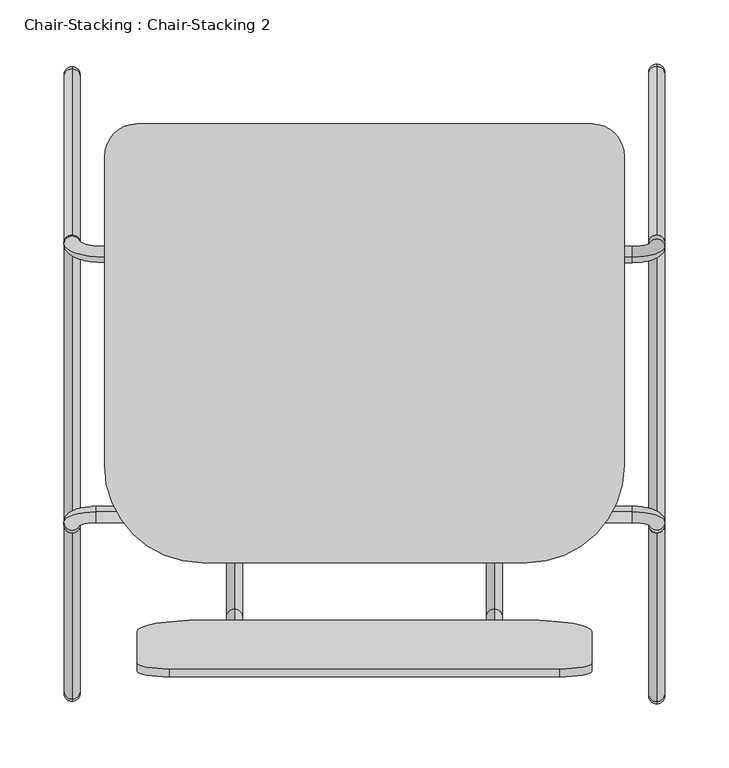
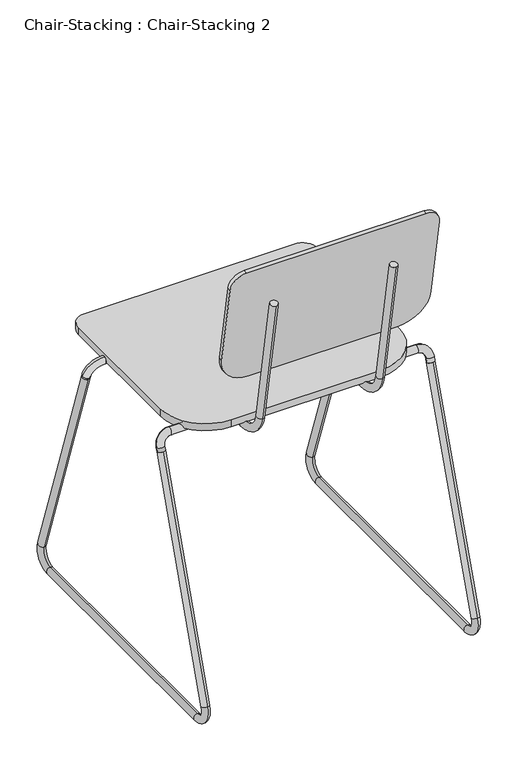
"""IFC4 building model written with IfcOpenShell, lengths in millimetres: furniture geometry, Chair-Stacking : Chair-Stacking 2."""

import ifcopenshell
import ifcopenshell.guid

model = None  # the IFC model being written
_history = None  # IfcOwnerHistory: only IFC2X3 demands one
_inside = {}  # id of a spatial element -> (the spatial element, [elements in it])
_under = {}  # id of a project, library or spatial element -> (it, [spatial elements below it])
_declared = {}  # id of a project -> (the project, [libraries it declares])
_typed = {}  # id of a type object -> (the type object, [elements of that type])
_made_of = {}  # id of a material, layer set ... -> (it, [elements and type objects made of it])


def new_model(schema):
    """Start an empty IFC model of exactly this schema.

    Asked for "IFC4X3", IfcOpenShell would pick the latest addendum, in which some entities
    have other attributes; the version numbers below select the first issue.
    IFC2X3 requires an IfcOwnerHistory on every rooted entity: one is made here for all.
    """
    global model, _history
    if schema == "IFC4X3":
        model = ifcopenshell.file(schema_version=(4, 3, 0, 0))
    else:
        model = ifcopenshell.file(schema=schema)
    _inside.clear()
    _under.clear()
    _declared.clear()
    _typed.clear()
    _made_of.clear()
    _history = None
    if model.schema == "IFC2X3":
        org = make("IfcOrganization", Name="unknown")
        user = make(
            "IfcPersonAndOrganization",
            ThePerson=make("IfcPerson", FamilyName="unknown"),
            TheOrganization=org,
        )
        app = make(
            "IfcApplication",
            ApplicationDeveloper=org,
            Version="unknown",
            ApplicationFullName="unknown",
            ApplicationIdentifier="unknown",
        )
        _history = make(
            "IfcOwnerHistory",
            OwningUser=user,
            OwningApplication=app,
            ChangeAction="ADDED",
            CreationDate=0,
        )
    return model


def make(cls, **values):
    """One entity of the class cls with the attributes given. An attribute that is None is left unset."""
    return model.create_entity(
        cls, **{name: value for name, value in values.items() if value is not None}
    )


def rooted(cls, **values):
    """An entity with a GlobalId (a new one), such as an element, a storey or a relation."""
    return make(cls, GlobalId=ifcopenshell.guid.new(), OwnerHistory=_history, **values)


def si_unit(unit_type, name, prefix=None):
    """IfcSIUnit, for example si_unit("LENGTHUNIT", "METRE", prefix="MILLI")."""
    return make("IfcSIUnit", UnitType=unit_type, Prefix=prefix, Name=name)


def assignment(units):
    """IfcUnitAssignment: the units of a project."""
    return None if units is None else make("IfcUnitAssignment", Units=units)


def point(xyz):
    """IfcCartesianPoint."""
    return None if xyz is None else make("IfcCartesianPoint", Coordinates=xyz)


def direction(xyz):
    """IfcDirection."""
    return None if xyz is None else make("IfcDirection", DirectionRatios=xyz)


def frame(location, z_axis=None, x_axis=None):
    """IfcAxis2Placement3D, a coordinate frame: its origin and axes. An axis left out is left unset."""
    return make(
        "IfcAxis2Placement3D",
        Location=point(location),
        Axis=direction(z_axis),
        RefDirection=direction(x_axis),
    )


def frame_2d(location, x_axis=None):
    """IfcAxis2Placement2D, a coordinate frame in the plane: its origin and x axis."""
    return make(
        "IfcAxis2Placement2D", Location=point(location), RefDirection=direction(x_axis)
    )


def origin():
    """The frame at (0, 0, 0) with its axes left unset."""
    return frame((0.0, 0.0, 0.0))


def place(relative_to, where):
    """IfcLocalPlacement: puts the frame where relative to a parent placement (None: the world)."""
    return make(
        "IfcLocalPlacement", PlacementRelTo=relative_to, RelativePlacement=where
    )


def context(
    kind, dimensions, precision=None, world=None, true_north=None, identifier=None
):
    """IfcGeometricRepresentationContext, for example the 3D "Model" context."""
    return make(
        "IfcGeometricRepresentationContext",
        ContextIdentifier=identifier,
        ContextType=kind,
        CoordinateSpaceDimension=dimensions,
        Precision=precision,
        WorldCoordinateSystem=world,
        TrueNorth=true_north,
    )


def project(units=None, contexts=None):
    """IfcProject with its units and contexts."""
    return rooted(
        "IfcProject",
        Name="project",
        RepresentationContexts=contexts,
        UnitsInContext=assignment(units),
    )


def spatial(cls, under=None, at=None, **own):
    """A site, building, storey or space (cls), placed at a placement, below another one or the project."""
    s = rooted(cls, ObjectPlacement=at, **own)
    if under is not None:
        _under.setdefault(under.id(), (under, []))[1].append(s)
    return s


def polyline(points):
    """IfcPolyline through the points."""
    return make("IfcPolyline", Points=[point(p) for p in points])


def circle_curve(where, radius):
    """IfcCircle in the frame where."""
    return make("IfcCircle", Position=where, Radius=radius)


def ellipse_curve(where, semi_axis1, semi_axis2):
    """IfcEllipse in the frame where."""
    return make(
        "IfcEllipse", Position=where, SemiAxis1=semi_axis1, SemiAxis2=semi_axis2
    )


def trimmed(basis, trim1, trim2, sense, master):
    """IfcTrimmedCurve: the piece of a basis curve between two trims."""
    return make(
        "IfcTrimmedCurve",
        BasisCurve=basis,
        Trim1=trim1,
        Trim2=trim2,
        SenseAgreement=sense,
        MasterRepresentation=master,
    )


def segment(curve, same_sense, transition):
    """IfcCompositeCurveSegment."""
    return make(
        "IfcCompositeCurveSegment",
        Transition=transition,
        SameSense=same_sense,
        ParentCurve=curve,
    )


def composite_curve(segments, self_intersect=None):
    """IfcCompositeCurve: segments joined end to end."""
    return make("IfcCompositeCurve", Segments=segments, SelfIntersect=self_intersect)


def outline(outer, holes=None, kind="AREA"):
    """IfcArbitraryClosedProfileDef: a profile drawn as a closed curve; with holes, ...WithVoids."""
    if holes is None:
        return make("IfcArbitraryClosedProfileDef", ProfileType=kind, OuterCurve=outer)
    return make(
        "IfcArbitraryProfileDefWithVoids",
        ProfileType=kind,
        OuterCurve=outer,
        InnerCurves=holes,
    )


def extrude(swept, where, along, depth):
    """IfcExtrudedAreaSolid: the profile swept, set in the frame where, extruded along a direction by depth."""
    return make(
        "IfcExtrudedAreaSolid",
        SweptArea=swept,
        Position=where,
        ExtrudedDirection=direction(along),
        Depth=depth,
    )


def shape(context_of_items, identifier, shape_type, items):
    """IfcShapeRepresentation: the items that make up one representation, for example the "Body"."""
    return make(
        "IfcShapeRepresentation",
        ContextOfItems=context_of_items,
        RepresentationIdentifier=identifier,
        RepresentationType=shape_type,
        Items=items,
    )


def source(mapping_origin, context_of_items, identifier, shape_type, items):
    """IfcRepresentationMap: a shape defined once, which mapped items show again and again."""
    return make(
        "IfcRepresentationMap",
        MappingOrigin=mapping_origin,
        MappedRepresentation=shape(context_of_items, identifier, shape_type, items),
    )


def transform(
    local_origin,
    x_axis=None,
    y_axis=None,
    z_axis=None,
    scale=None,
    scale2=None,
    scale3=None,
    uniform=True,
):
    """IfcCartesianTransformationOperator3D, or its non-uniform kind. x_axis, y_axis, z_axis: its Axis1, 2, 3."""
    if uniform:
        return make(
            "IfcCartesianTransformationOperator3D",
            Axis1=direction(x_axis),
            Axis2=direction(y_axis),
            LocalOrigin=point(local_origin),
            Scale=scale,
            Axis3=direction(z_axis),
        )
    return make(
        "IfcCartesianTransformationOperator3DnonUniform",
        Axis1=direction(x_axis),
        Axis2=direction(y_axis),
        LocalOrigin=point(local_origin),
        Scale=scale,
        Axis3=direction(z_axis),
        Scale2=scale2,
        Scale3=scale3,
    )


def mapped(mapping_source, mapping_target):
    """IfcMappedItem: shows the shape of a source again, moved by a transform."""
    return make(
        "IfcMappedItem", MappingSource=mapping_source, MappingTarget=mapping_target
    )


def made_of(thing, what):
    """Note that an element or type object is made of a material, layer set ...; save() writes the relation."""
    if what is not None:
        _made_of.setdefault(what.id(), (what, []))[1].append(thing)
    return thing


def element(
    cls,
    number,
    at=None,
    inside=None,
    cuts=None,
    type_object=None,
    material=None,
    context=None,
    identifier="Body",
    shape_type=None,
    held_by="IfcProductDefinitionShape",
    body=None,
    shapes=None,
    **own,
):
    """One element of the class cls, such as IfcWall. Its Tag is "e" and its number.

    at: its placement. inside: the storey or other place that contains it. cuts: it is an
    opening in that element (IfcRelVoidsElement). A single representation is given by context,
    identifier, shape_type and body (its items); several are given by shapes. held_by: the class
    of the entity that holds the representations. save() writes the other relations.
    """
    e = rooted(cls, Tag="e%d" % number, ObjectPlacement=at, **own)
    if body is not None:
        shapes = [shape(context, identifier, shape_type, body)]
    if shapes is not None:
        e.Representation = make(held_by, Representations=shapes)
    if inside is not None:
        _inside.setdefault(inside.id(), (inside, []))[1].append(e)
    if cuts is not None:
        rooted(
            "IfcRelVoidsElement", RelatingBuildingElement=cuts, RelatedOpeningElement=e
        )
    if type_object is not None:
        _typed.setdefault(type_object.id(), (type_object, []))[1].append(e)
    return made_of(e, material)


def aggregate(whole, parts):
    """IfcRelAggregates: a whole, such as a stair, and the parts it consists of."""
    return rooted("IfcRelAggregates", RelatingObject=whole, RelatedObjects=parts)


def save(model, path):
    """Write the relations noted so far, then the file.

    IfcRelAggregates (storeys below a building ...), IfcRelContainedInSpatialStructure (elements
    in a storey), IfcRelDefinesByType, IfcRelAssociatesMaterial and IfcRelDeclares: one each for
    every whole, place, type object, material and project.
    """
    for whole, parts in _under.values():
        aggregate(whole, parts)
    for where, things in _inside.values():
        rooted(
            "IfcRelContainedInSpatialStructure",
            RelatedElements=things,
            RelatingStructure=where,
        )
    for kind, things in _typed.values():
        rooted("IfcRelDefinesByType", RelatedObjects=things, RelatingType=kind)
    for what, things in _made_of.values():
        rooted("IfcRelAssociatesMaterial", RelatedObjects=things, RelatingMaterial=what)
    for by, libraries in _declared.values():
        rooted("IfcRelDeclares", RelatingContext=by, RelatedDefinitions=libraries)
    model.write(path)


def plane_surface(at):
    """IfcPlane: the flat surface through the origin of the frame at, square to its z axis."""
    return make("IfcPlane", Position=at)


def cylinder_surface(at, radius):
    """IfcCylindricalSurface: all points at the distance radius from the z axis of the frame at."""
    return make("IfcCylindricalSurface", Position=at, Radius=radius)


def revolved_surface(curve, axis_point, axis_direction):
    """IfcSurfaceOfRevolution: the curve turned about the line through axis_point along axis_direction."""
    return make(
        "IfcSurfaceOfRevolution",
        SweptCurve=make("IfcArbitraryOpenProfileDef", ProfileType="CURVE", Curve=curve),
        AxisPosition=make("IfcAxis1Placement", Location=point(axis_point), Axis=direction(axis_direction)),
    )


def advanced_brep(points, edges, surfaces, faces):
    """IfcAdvancedBrep: a solid bounded by faces that lie on surfaces and meet in shared edges.

    An edge is (start, end): straight between two places in points (the first is 0);
    or (start, end, curve); or (start, end, curve, False) where it runs against its curve.
    A face is (place in surfaces, loops), or (place, loops, False) where it looks against
    its surface's normal. A loop lists edges by number (the first is 1), with a minus sign
    where the edge is run from its end to its start. The first loop is the outer one.
    """
    corners = [point(p) for p in points]
    vertices = [make("IfcVertexPoint", VertexGeometry=c) for c in corners]
    made = []
    for start, end, *more in edges:
        made.append(
            make(
                "IfcEdgeCurve",
                EdgeStart=vertices[start],
                EdgeEnd=vertices[end],
                EdgeGeometry=more[0] if more else make("IfcPolyline", Points=[corners[start], corners[end]]),
                SameSense=more[1] if len(more) > 1 else True,
            )
        )
    hull = []
    for where, loops, *sense in faces:
        bounds = []
        for j, loop in enumerate(loops):
            ring = [make("IfcOrientedEdge", EdgeElement=made[abs(k) - 1], Orientation=k > 0) for k in loop]
            bounds.append(
                make(
                    "IfcFaceOuterBound" if j == 0 else "IfcFaceBound",
                    Bound=make("IfcEdgeLoop", EdgeList=ring),
                    Orientation=True,
                )
            )
        hull.append(make("IfcAdvancedFace", Bounds=bounds, FaceSurface=surfaces[where], SameSense=sense[0] if sense else True))
    return make("IfcAdvancedBrep", Outer=make("IfcClosedShell", CfsFaces=hull))


def chair_stacking_chair_stacking_2_4df0970f(model_context):
    return source(origin(), model_context, "Body", "SolidModel", [
        advanced_brep(
        [(-280.6491803, 213.2656675, 431.8), (-280.6491803, 213.2656675, 444.5), (-280.6491803, -23.0277124, 431.8), (-280.6491803, -23.0277124, 444.5), (-280.6491803, -66.802417, 481.2313385), (-280.6491803, -79.3094755, 479.0260066), (-280.6491803, -119.2282049, 705.4163709), (-280.6491803, -106.7211464, 707.6217027)],
        [
            (0, 1, circle_curve(frame((-280.6491803, 213.2656675, 438.15), z_axis=(0.0, 1.0, 0.0), x_axis=(0.0, 0.0, 1.0)), 6.35)),
            (1, 0, circle_curve(frame((-280.6491803, 213.2656675, 438.15), z_axis=(0.0, 1.0, 0.0), x_axis=(0.0, 0.0, 1.0)), 6.35)),
            (0, 2),
            (2, 3, circle_curve(frame((-280.6491803, -23.0277124, 438.15), z_axis=(0.0, 1.0, 0.0), x_axis=(0.0, 0.0, 1.0)), 6.35)),
            (3, 1),
            (3, 2, circle_curve(frame((-280.6491803, -23.0277124, 438.15), z_axis=(0.0, 1.0, 0.0), x_axis=(0.0, 0.0, 1.0)), 6.35)),
            (4, 3, circle_curve(frame((-280.6491803, -23.0277124, 488.95), z_axis=(1.0, 0.0, 0.0), x_axis=(0.0, 0.0, -1.0)), 44.45)),
            (2, 5, circle_curve(frame((-280.6491803, -23.0277124, 488.95), z_axis=(-1.0, 0.0, 0.0), x_axis=(0.0, 0.0, -1.0)), 57.15)),
            (5, 4, circle_curve(frame((-280.6491803, -73.0559463, 480.1286726), z_axis=(0.0, 0.17364817766693444, -0.9848077530122074), x_axis=(0.0, 0.9848077530122074, 0.17364817766693444)), 6.35)),
            (4, 5, circle_curve(frame((-280.6491803, -73.0559463, 480.1286726), z_axis=(0.0, 0.17364817766693444, -0.9848077530122074), x_axis=(0.0, 0.9848077530122074, 0.17364817766693444)), 6.35)),
            (6, 7, circle_curve(frame((-280.6491803, -112.9746757, 706.5190368), z_axis=(0.0, -0.1736481776669348, 0.9848077530122074), x_axis=(0.0, 0.9848077530122074, 0.1736481776669348)), 6.35)),
            (7, 6, circle_curve(frame((-280.6491803, -112.9746757, 706.5190368), z_axis=(0.0, -0.1736481776669348, 0.9848077530122074), x_axis=(0.0, 0.9848077530122074, 0.1736481776669348)), 6.35)),
            (5, 6),
            (7, 4),
        ],
        [
            plane_surface(frame((-286.9991803, 213.2656675, 438.15), z_axis=(0.0, 1.0, 0.0), x_axis=(0.0, 0.0, -1.0))),
            cylinder_surface(frame((-280.6491803, 213.2656675, 438.15), z_axis=(0.0, 1.0, 0.0), x_axis=(0.0, 0.0, 1.0)), 6.35),
            revolved_surface(trimmed(ellipse_curve(frame((-280.6491803, -23.0277124, 438.15), z_axis=(0.0, 1.0, 0.0), x_axis=(0.0, 0.0, 1.0)), 6.35, 6.35), [point((-280.6491803, -23.0277124, 431.8))], [point((-280.6491803, -23.0277124, 444.5))], True, "CARTESIAN"), (-280.6491803, -23.0277124, 488.95), (-1.0, 0.0, 0.0)),
            revolved_surface(trimmed(ellipse_curve(frame((-280.6491803, -23.0277124, 438.15), z_axis=(0.0, 1.0, 0.0), x_axis=(0.0, 0.0, 1.0)), 6.35, 6.35), [point((-280.6491803, -23.0277124, 444.5))], [point((-280.6491803, -23.0277124, 431.8))], True, "CARTESIAN"), (-280.6491803, -23.0277124, 488.95), (-1.0, 0.0, 0.0)),
            plane_surface(frame((-280.6491803, -119.2282049, 705.4163709), z_axis=(0.0, -0.17364817766692842, 0.9848077530122085), x_axis=(1.0, 0.0, 0.0))),
            cylinder_surface(frame((-280.6491803, -73.0559463, 480.1286726), z_axis=(0.0, 0.1736481776669348, -0.9848077530122074), x_axis=(0.0, 0.9848077530122074, 0.1736481776669348)), 6.35),
        ],
        [
            (0, [[1, 2]]),
            (1, [[-1, 3, 4, 5]]),
            (1, [[-2, -5, 6, -3]]),
            (2, [[7, -4, 8, 9]]),
            (3, [[-8, -6, -7, 10]]),
            (4, [[11, 12]]),
            (5, [[-9, 13, -12, 14]]),
            (5, [[-10, -14, -11, -13]]),
        ],
    ),
        advanced_brep(
        [(-77.4491803, 213.2656675, 431.8), (-77.4491803, 213.2656675, 444.5), (-77.4491803, -23.0277124, 431.8), (-77.4491803, -23.0277124, 444.5), (-77.4491803, -66.802417, 481.2313385), (-77.4491803, -79.3094755, 479.0260066), (-77.4491803, -118.9339087, 703.7473341), (-77.4491803, -106.4268502, 705.9526659)],
        [
            (0, 1, circle_curve(frame((-77.4491803, 213.2656675, 438.15), z_axis=(0.0, 1.0, 0.0), x_axis=(0.0, 0.0, 1.0)), 6.35)),
            (1, 0, circle_curve(frame((-77.4491803, 213.2656675, 438.15), z_axis=(0.0, 1.0, 0.0), x_axis=(0.0, 0.0, 1.0)), 6.35)),
            (0, 2),
            (2, 3, circle_curve(frame((-77.4491803, -23.0277124, 438.15), z_axis=(0.0, 1.0, 0.0), x_axis=(0.0, 0.0, 1.0)), 6.35)),
            (3, 1),
            (3, 2, circle_curve(frame((-77.4491803, -23.0277124, 438.15), z_axis=(0.0, 1.0, 0.0), x_axis=(0.0, 0.0, 1.0)), 6.35)),
            (4, 3, circle_curve(frame((-77.4491803, -23.0277124, 488.95), z_axis=(1.0, 0.0, 0.0), x_axis=(0.0, 0.0, -1.0)), 44.45)),
            (2, 5, circle_curve(frame((-77.4491803, -23.0277124, 488.95), z_axis=(-1.0, 0.0, 0.0), x_axis=(0.0, 0.0, -1.0)), 57.15)),
            (5, 4, circle_curve(frame((-77.4491803, -73.0559463, 480.1286726), z_axis=(0.0, 0.1736481776669385, -0.9848077530122066), x_axis=(0.0, 0.9848077530122066, 0.1736481776669385)), 6.35)),
            (4, 5, circle_curve(frame((-77.4491803, -73.0559463, 480.1286726), z_axis=(0.0, 0.1736481776669372, -0.9848077530122068), x_axis=(0.0, 0.9848077530122068, 0.1736481776669372)), 6.35)),
            (6, 7, circle_curve(frame((-77.4491803, -112.6803794, 704.85), z_axis=(0.0, -0.17364817766693896, 0.9848077530122066), x_axis=(0.0, 0.9848077530122066, 0.17364817766693896)), 6.35)),
            (7, 6, circle_curve(frame((-77.4491803, -112.6803794, 704.85), z_axis=(0.0, -0.17364817766693896, 0.9848077530122066), x_axis=(0.0, 0.9848077530122066, 0.17364817766693896)), 6.35)),
            (5, 6),
            (7, 4),
        ],
        [
            plane_surface(frame((-83.7991803, 213.2656675, 438.15), z_axis=(0.0, 1.0, 0.0), x_axis=(0.0, 0.0, -1.0))),
            cylinder_surface(frame((-77.4491803, 213.2656675, 438.15), z_axis=(0.0, 1.0, 0.0), x_axis=(0.0, 0.0, 1.0)), 6.35),
            revolved_surface(trimmed(ellipse_curve(frame((-77.4491803, -23.0277124, 438.15), z_axis=(0.0, 1.0, 0.0), x_axis=(0.0, 0.0, 1.0)), 6.35, 6.35), [point((-77.4491803, -23.0277124, 431.8))], [point((-77.4491803, -23.0277124, 444.5))], True, "CARTESIAN"), (-77.4491803, -23.0277124, 488.95), (-1.0, 0.0, 0.0)),
            revolved_surface(trimmed(ellipse_curve(frame((-77.4491803, -23.0277124, 438.15), z_axis=(0.0, 1.0, 0.0), x_axis=(0.0, 0.0, 1.0)), 6.35, 6.35), [point((-77.4491803, -23.0277124, 444.5))], [point((-77.4491803, -23.0277124, 431.8))], True, "CARTESIAN"), (-77.4491803, -23.0277124, 488.95), (-1.0, 0.0, 0.0)),
            plane_surface(frame((-77.4491803, -118.9339087, 703.7473341), z_axis=(0.0, -0.17364817766692892, 0.9848077530122084), x_axis=(1.0, 0.0, 0.0))),
            cylinder_surface(frame((-77.4491803, -73.0559463, 480.1286726), z_axis=(0.0, 0.17364817766693896, -0.9848077530122066), x_axis=(0.0, 0.9848077530122066, 0.17364817766693896)), 6.35),
        ],
        [
            (0, [[1, 2]]),
            (1, [[-1, 3, 4, 5]]),
            (1, [[-2, -5, 6, -3]]),
            (2, [[7, -4, 8, 9]]),
            (3, [[-8, -6, -7, 10]]),
            (4, [[11, 12]]),
            (5, [[-9, 13, -12, 14]]),
            (5, [[-10, -14, -11, -13]]),
        ],
    ),
        extrude(outline(composite_curve([segment(trimmed(circle_curve(frame_2d((-1.2491803, 286.7314636)), 25.4), [point((-1.2491803, 312.1314636))], [point((24.1508197, 286.7314636))], False, "CARTESIAN"), True, "CONTINUOUS"), segment(polyline([(24.1508197, 286.7314636), (24.1508197, 45.4314636)]), True, "CONTINUOUS"), segment(trimmed(circle_curve(frame_2d((-52.0491803, 45.4314636)), 76.2), [point((24.1508197, 45.4314636))], [point((-52.0491803, -30.7685364))], False, "CARTESIAN"), True, "CONTINUOUS"), segment(polyline([(-52.0491803, -30.7685364), (-306.0491803, -30.7685364)]), True, "CONTINUOUS"), segment(trimmed(circle_curve(frame_2d((-306.0491803, 45.4314636)), 76.2), [point((-306.0491803, -30.7685364))], [point((-382.2491803, 45.4314636))], False, "CARTESIAN"), True, "CONTINUOUS"), segment(polyline([(-382.2491803, 45.4314636), (-382.2491803, 286.7314636)]), True, "CONTINUOUS"), segment(trimmed(circle_curve(frame_2d((-356.8491803, 286.7314636)), 25.4), [point((-382.2491803, 286.7314636))], [point((-356.8491803, 312.1314636))], False, "CARTESIAN"), True, "CONTINUOUS"), segment(polyline([(-356.8491803, 312.1314636), (-1.2491803, 312.1314636)]), True, "CONTINUOUS")], self_intersect=False)), frame((0.0, 0.0, 444.5), z_axis=(0.0, 0.0, 1.0), x_axis=(1.0, 0.0, 0.0)), (0.0, 0.0, 1.0), 12.7),
        extrude(outline(composite_curve([segment(polyline([(-304.8, 0.0), (0.0, 0.0)]), True, "CONTINUOUS"), segment(trimmed(circle_curve(frame_2d((0.0, -25.4)), 25.4), [point((0.0, 0.0))], [point((25.4, -25.4))], False, "CARTESIAN"), True, "CONTINUOUS"), segment(polyline([(25.4, -25.4), (25.4, -168.3013626)]), True, "CONTINUOUS"), segment(trimmed(circle_curve(frame_2d((-25.4, -168.3013626)), 50.8), [point((25.4, -168.3013626))], [point((-25.4, -219.1013626))], False, "CARTESIAN"), True, "CONTINUOUS"), segment(polyline([(-25.4, -219.1013626), (-279.4, -219.1013626)]), True, "CONTINUOUS"), segment(trimmed(circle_curve(frame_2d((-279.4, -168.3013626)), 50.8), [point((-279.4, -219.1013626))], [point((-330.2, -168.3013626))], False, "CARTESIAN"), True, "CONTINUOUS"), segment(polyline([(-330.2, -168.3013626), (-330.2, -25.4)]), True, "CONTINUOUS"), segment(trimmed(circle_curve(frame_2d((-304.8, -25.4)), 25.4), [point((-330.2, -25.4))], [point((-304.8, 0.0))], False, "CARTESIAN"), True, "CONTINUOUS")], self_intersect=False)), frame((-331.4491803, -119.9531376, 782.6640535), z_axis=(0.0, 0.9848077530122084, 0.17364817766692858), x_axis=(-1.0, 0.0, 0.0)), (0.0, 0.0, 1.0), 6.35),
        advanced_brep(
        [(55.9008197, 219.2327758, 419.1211728), (43.2008197, 219.2327758, 419.1211728), (55.9008197, 216.3017292, 427.6700586), (43.2008197, 216.3017292, 427.6700586), (30.5008197, 212.1828103, 439.6835721), (30.5008197, 208.0638914, 451.6970857), (-382.2491803, 208.0638914, 451.6970857), (-382.2491803, 212.1828103, 439.6835721), (-401.2991803, 218.3611887, 421.6633019), (-413.9991803, 218.3611887, 421.6633019), (-413.9991803, 219.2424531, 419.0929473), (-401.2991803, 219.2424531, 419.0929473)],
        [
            (0, 1, circle_curve(frame((49.5508197, 219.2327758, 419.1211728), z_axis=(0.0, 0.32432432432432967, -0.9459459459459442), x_axis=(-1.0, 0.0, 0.0)), 6.35)),
            (1, 0, circle_curve(frame((49.5508197, 219.2327758, 419.1211728), z_axis=(0.0, 0.32432432432432967, -0.9459459459459442), x_axis=(-1.0, 0.0, 0.0)), 6.35)),
            (0, 2),
            (2, 3, circle_curve(frame((49.5508197, 216.3017292, 427.6700586), z_axis=(0.0, 0.32432432432432967, -0.9459459459459442), x_axis=(-1.0, 0.0, 0.0)), 6.35)),
            (3, 1),
            (3, 2, circle_curve(frame((49.5508197, 216.3017292, 427.6700586), z_axis=(0.0, 0.32432432432432967, -0.9459459459459442), x_axis=(-1.0, 0.0, 0.0)), 6.35)),
            (4, 3, circle_curve(frame((30.5008197, 216.3017292, 427.6700586), z_axis=(0.0, 0.9459459459459447, 0.3243243243243281), x_axis=(1.0, 0.0, 0.0)), 12.7)),
            (2, 5, circle_curve(frame((30.5008197, 216.3017292, 427.6700586), z_axis=(0.0, -0.9459459459459447, -0.3243243243243281), x_axis=(1.0, 0.0, 0.0)), 25.4)),
            (5, 4, circle_curve(frame((30.5008197, 210.1233509, 445.6903289), z_axis=(1.0, 0.0, 0.0), x_axis=(0.0, 0.32432432432432745, -0.9459459459459449)), 6.35)),
            (4, 5, circle_curve(frame((30.5008197, 210.1233509, 445.6903289), z_axis=(1.0, 0.0, 0.0), x_axis=(0.0, 0.32432432432432745, -0.9459459459459449)), 6.35)),
            (5, 6),
            (6, 7, circle_curve(frame((-382.2491803, 210.1233509, 445.6903289), z_axis=(1.0, 0.0, 0.0), x_axis=(0.0, 0.32432432432432745, -0.9459459459459449)), 6.35)),
            (7, 4),
            (7, 6, circle_curve(frame((-382.2491803, 210.1233509, 445.6903289), z_axis=(1.0, 0.0, 0.0), x_axis=(0.0, 0.32432432432432745, -0.9459459459459449)), 6.35)),
            (8, 7, circle_curve(frame((-382.2491803, 218.3611887, 421.6633019), z_axis=(0.0, 0.9459459459459447, 0.3243243243243281), x_axis=(0.0, -0.3243243243243281, 0.9459459459459447)), 19.05)),
            (6, 9, circle_curve(frame((-382.2491803, 218.3611887, 421.6633019), z_axis=(0.0, -0.9459459459459447, -0.3243243243243281), x_axis=(0.0, -0.3243243243243281, 0.9459459459459447)), 31.75)),
            (9, 8, circle_curve(frame((-407.6491803, 218.3611887, 421.6633019), z_axis=(0.0, -0.324324324324328, 0.9459459459459447), x_axis=(1.0000000000000002, 0.0, 0.0)), 6.35)),
            (8, 9, circle_curve(frame((-407.6491803, 218.3611887, 421.6633019), z_axis=(0.0, -0.324324324324328, 0.9459459459459447), x_axis=(1.0000000000000002, 0.0, 0.0)), 6.35)),
            (10, 11, circle_curve(frame((-407.6491803, 219.2424531, 419.0929473), z_axis=(0.0, 0.32432432432432784, -0.9459459459459449), x_axis=(1.0, 0.0, 0.0)), 6.35)),
            (11, 10, circle_curve(frame((-407.6491803, 219.2424531, 419.0929473), z_axis=(0.0, 0.32432432432432784, -0.9459459459459449), x_axis=(1.0, 0.0, 0.0)), 6.35)),
            (9, 10),
            (11, 8),
        ],
        [
            plane_surface(frame((49.5508197, 213.226019, 417.0617133), z_axis=(0.0, 0.32432432432433117, -0.9459459459459437), x_axis=(1.0, 0.0, 0.0))),
            cylinder_surface(frame((49.5508197, 219.2327758, 419.1211728), z_axis=(0.0, 0.32432432432432967, -0.9459459459459442), x_axis=(-1.0, 0.0, 0.0)), 6.35),
            revolved_surface(trimmed(ellipse_curve(frame((49.5508197, 216.3017292, 427.6700586), z_axis=(0.0, 0.32432432432432823, -0.9459459459459447), x_axis=(-1.0, 0.0, 0.0)), 6.35, 6.35), [point((55.9008197, 216.3017292, 427.6700586))], [point((43.2008197, 216.3017292, 427.6700586))], True, "CARTESIAN"), (30.5008197, 216.3017292, 427.6700586), (0.0, -0.9459459459459447, -0.3243243243243281)),
            revolved_surface(trimmed(ellipse_curve(frame((49.5508197, 216.3017292, 427.6700586), z_axis=(0.0, 0.32432432432432823, -0.9459459459459447), x_axis=(-1.0, 0.0, 0.0)), 6.35, 6.35), [point((43.2008197, 216.3017292, 427.6700586))], [point((55.9008197, 216.3017292, 427.6700586))], True, "CARTESIAN"), (30.5008197, 216.3017292, 427.6700586), (0.0, -0.9459459459459447, -0.3243243243243281)),
            cylinder_surface(frame((30.5008197, 210.1233509, 445.6903289), z_axis=(1.0, 0.0, 0.0), x_axis=(0.0, 0.32432432432432745, -0.9459459459459449)), 6.35),
            revolved_surface(trimmed(ellipse_curve(frame((-382.2491803, 210.1233509, 445.6903289), z_axis=(1.0000000000000002, 0.0, 0.0), x_axis=(0.0, 0.3243243243243276, -0.9459459459459449)), 6.35, 6.35), [point((-382.2491803, 208.0638914, 451.6970857))], [point((-382.2491803, 212.1828103, 439.6835721))], True, "CARTESIAN"), (-382.2491803, 218.3611887, 421.6633019), (0.0, -0.9459459459459447, -0.3243243243243281)),
            revolved_surface(trimmed(ellipse_curve(frame((-382.2491803, 210.1233509, 445.6903289), z_axis=(1.0000000000000002, 0.0, 0.0), x_axis=(0.0, 0.3243243243243276, -0.9459459459459449)), 6.35, 6.35), [point((-382.2491803, 212.1828103, 439.6835721))], [point((-382.2491803, 208.0638914, 451.6970857))], True, "CARTESIAN"), (-382.2491803, 218.3611887, 421.6633019), (0.0, -0.9459459459459447, -0.3243243243243281)),
            plane_surface(frame((-407.6491803, 225.2492099, 421.1524068), z_axis=(0.0, 0.3243243243243264, -0.9459459459459453), x_axis=(1.0, 0.0, 0.0))),
            cylinder_surface(frame((-407.6491803, 218.3611887, 421.6633019), z_axis=(0.0, -0.3243243243243278, 0.9459459459459447), x_axis=(1.0, 0.0, 0.0)), 6.35),
        ],
        [
            (0, [[1, 2]]),
            (1, [[-1, 3, 4, 5]]),
            (1, [[-2, -5, 6, -3]]),
            (2, [[7, -4, 8, 9]]),
            (3, [[-8, -6, -7, 10]]),
            (4, [[-9, 11, 12, 13]]),
            (4, [[-10, -13, 14, -11]]),
            (5, [[15, -12, 16, 17]]),
            (6, [[-16, -14, -15, 18]]),
            (7, [[19, 20]]),
            (8, [[-17, 21, -20, 22]]),
            (8, [[-18, -22, -19, -21]]),
        ],
    ),
        advanced_brep(
        [(55.9008197, -1.3812406, 419.0879461), (43.2008197, -1.3812406, 419.0879461), (55.9008197, 0.7944914, 425.4338312), (43.2008197, 0.7944914, 425.4338312), (30.5008197, 4.9134104, 437.4473447), (30.5008197, 9.0323293, 449.4608582), (-388.5991803, 9.0323293, 449.4608582), (-388.5991803, 4.9134104, 437.4473447), (-401.2991803, 0.7944914, 425.4338312), (-413.9991803, 0.7944914, 425.4338312), (-413.9991803, -1.3997864, 419.0338542), (-401.2991803, -1.3997864, 419.0338542)],
        [
            (0, 1, circle_curve(frame((49.5508197, -1.3812406, 419.0879461), z_axis=(0.0, -0.32432432432432495, -0.9459459459459457), x_axis=(-1.0, 0.0, 0.0)), 6.35)),
            (1, 0, circle_curve(frame((49.5508197, -1.3812406, 419.0879461), z_axis=(0.0, -0.32432432432432495, -0.9459459459459457), x_axis=(-1.0, 0.0, 0.0)), 6.35)),
            (0, 2),
            (2, 3, circle_curve(frame((49.5508197, 0.7944914, 425.4338312), z_axis=(0.0, -0.32432432432432495, -0.9459459459459457), x_axis=(-1.0, 0.0, 0.0)), 6.35)),
            (3, 1),
            (3, 2, circle_curve(frame((49.5508197, 0.7944914, 425.4338312), z_axis=(0.0, -0.32432432432432495, -0.9459459459459457), x_axis=(-1.0, 0.0, 0.0)), 6.35)),
            (4, 3, circle_curve(frame((30.5008197, 0.7944914, 425.4338312), z_axis=(0.0, 0.9459459459459458, -0.3243243243243246), x_axis=(1.0, 0.0, 0.0)), 12.7)),
            (2, 5, circle_curve(frame((30.5008197, 0.7944914, 425.4338312), z_axis=(0.0, -0.9459459459459458, 0.3243243243243246), x_axis=(1.0, 0.0, 0.0)), 25.4)),
            (5, 4, circle_curve(frame((30.5008197, 6.9728698, 443.4541014), z_axis=(1.0, 0.0, 0.0), x_axis=(0.0, -0.3243243243243236, -0.9459459459459462)), 6.35)),
            (4, 5, circle_curve(frame((30.5008197, 6.9728698, 443.4541014), z_axis=(1.0, 0.0, 0.0), x_axis=(0.0, -0.3243243243243236, -0.9459459459459462)), 6.35)),
            (5, 6),
            (6, 7, circle_curve(frame((-388.5991803, 6.9728698, 443.4541014), z_axis=(1.0, 0.0, 0.0), x_axis=(0.0, -0.3243243243243236, -0.9459459459459462)), 6.35)),
            (7, 4),
            (7, 6, circle_curve(frame((-388.5991803, 6.9728698, 443.4541014), z_axis=(1.0, 0.0, 0.0), x_axis=(0.0, -0.3243243243243236, -0.9459459459459462)), 6.35)),
            (8, 7, circle_curve(frame((-388.5991803, 0.7944914, 425.4338312), z_axis=(0.0, 0.9459459459459458, -0.3243243243243246), x_axis=(0.0, 0.3243243243243246, 0.9459459459459458)), 12.7)),
            (6, 9, circle_curve(frame((-388.5991803, 0.7944914, 425.4338312), z_axis=(0.0, -0.9459459459459458, 0.3243243243243246), x_axis=(0.0, 0.3243243243243246, 0.9459459459459458)), 25.4)),
            (9, 8, circle_curve(frame((-407.6491803, 0.7944914, 425.4338312), z_axis=(0.0, 0.3243243243243247, 0.9459459459459458), x_axis=(1.0, 0.0, 0.0)), 6.35)),
            (8, 9, circle_curve(frame((-407.6491803, 0.7944914, 425.4338312), z_axis=(0.0, 0.3243243243243247, 0.9459459459459458), x_axis=(1.0, 0.0, 0.0)), 6.35)),
            (10, 11, circle_curve(frame((-407.6491803, -1.3997864, 419.0338542), z_axis=(0.0, -0.3243243243243242, -0.945945945945946), x_axis=(1.0, 0.0, 0.0)), 6.35)),
            (11, 10, circle_curve(frame((-407.6491803, -1.3997864, 419.0338542), z_axis=(0.0, -0.3243243243243242, -0.945945945945946), x_axis=(1.0, 0.0, 0.0)), 6.35)),
            (9, 10),
            (11, 8),
        ],
        [
            plane_surface(frame((49.5508197, -7.3879973, 421.1474055), z_axis=(0.0, -0.32432432432432273, -0.9459459459459466), x_axis=(1.0, 0.0, 0.0))),
            cylinder_surface(frame((49.5508197, -1.3812406, 419.0879461), z_axis=(0.0, -0.32432432432432495, -0.9459459459459457), x_axis=(-1.0, 0.0, 0.0)), 6.35),
            revolved_surface(trimmed(ellipse_curve(frame((49.5508197, 0.7944914, 425.4338312), z_axis=(0.0, -0.32432432432432456, -0.9459459459459458), x_axis=(-1.0, 0.0, 0.0)), 6.35, 6.35), [point((55.9008197, 0.7944914, 425.4338312))], [point((43.2008197, 0.7944914, 425.4338312))], True, "CARTESIAN"), (30.5008197, 0.7944914, 425.4338312), (0.0, -0.9459459459459458, 0.3243243243243246)),
            revolved_surface(trimmed(ellipse_curve(frame((49.5508197, 0.7944914, 425.4338312), z_axis=(0.0, -0.32432432432432456, -0.9459459459459458), x_axis=(-1.0, 0.0, 0.0)), 6.35, 6.35), [point((43.2008197, 0.7944914, 425.4338312))], [point((55.9008197, 0.7944914, 425.4338312))], True, "CARTESIAN"), (30.5008197, 0.7944914, 425.4338312), (0.0, -0.9459459459459458, 0.3243243243243246)),
            cylinder_surface(frame((30.5008197, 6.9728698, 443.4541014), z_axis=(1.0, 0.0, 0.0), x_axis=(0.0, -0.3243243243243236, -0.9459459459459462)), 6.35),
            revolved_surface(trimmed(ellipse_curve(frame((-388.5991803, 6.9728698, 443.4541014), z_axis=(1.0, 0.0, 0.0), x_axis=(0.0, -0.3243243243243236, -0.9459459459459462)), 6.35, 6.35), [point((-388.5991803, 9.0323293, 449.4608582))], [point((-388.5991803, 4.9134104, 437.4473447))], True, "CARTESIAN"), (-388.5991803, 0.7944914, 425.4338312), (0.0, -0.9459459459459458, 0.3243243243243246)),
            revolved_surface(trimmed(ellipse_curve(frame((-388.5991803, 6.9728698, 443.4541014), z_axis=(1.0, 0.0, 0.0), x_axis=(0.0, -0.3243243243243236, -0.9459459459459462)), 6.35, 6.35), [point((-388.5991803, 4.9134104, 437.4473447))], [point((-388.5991803, 9.0323293, 449.4608582))], True, "CARTESIAN"), (-388.5991803, 0.7944914, 425.4338312), (0.0, -0.9459459459459458, 0.3243243243243246)),
            plane_surface(frame((-407.6491803, 4.6069704, 416.9743947), z_axis=(0.0, -0.3243243243243226, -0.9459459459459466), x_axis=(1.0, 0.0, 0.0))),
            cylinder_surface(frame((-407.6491803, 0.7944914, 425.4338312), z_axis=(0.0, 0.3243243243243242, 0.945945945945946), x_axis=(1.0, 0.0, 0.0)), 6.35),
        ],
        [
            (0, [[1, 2]]),
            (1, [[-1, 3, 4, 5]]),
            (1, [[-2, -5, 6, -3]]),
            (2, [[7, -4, 8, 9]]),
            (3, [[-8, -6, -7, 10]]),
            (4, [[-9, 11, 12, 13]]),
            (4, [[-10, -13, 14, -11]]),
            (5, [[15, -12, 16, 17]]),
            (6, [[-16, -14, -15, 18]]),
            (7, [[19, 20]]),
            (8, [[-17, 21, -20, 22]]),
            (8, [[-18, -22, -19, -21]]),
        ],
    ),
        advanced_brep(
        [(-407.6491803, 225.2492099, 421.1524068), (-407.6491803, 213.2356963, 417.0334879), (-407.6491803, 355.2281045, 42.0472973), (-407.6491803, 343.214591, 37.9283784), (-407.6491803, 325.1943208, 12.7), (-407.6491803, 325.1943208, 0.0), (-407.6491803, -107.3313935, 0.0), (-407.6491803, -107.3313935, 12.7), (-407.6491803, -125.3516638, 37.9283784), (-407.6491803, -137.3651773, 42.0472973), (-407.6491803, -7.4065431, 421.0933136), (-407.6491803, 4.6069704, 416.9743947)],
        [
            (0, 1, circle_curve(frame((-407.6491803, 219.2424531, 419.0929473), z_axis=(0.0, -0.3243243243243311, 0.9459459459459437), x_axis=(0.0, -0.9459459459459437, -0.3243243243243311)), 6.35)),
            (1, 0, circle_curve(frame((-407.6491803, 219.2424531, 419.0929473), z_axis=(0.0, -0.3243243243243311, 0.9459459459459437), x_axis=(0.0, -0.9459459459459437, -0.3243243243243311)), 6.35)),
            (0, 2),
            (2, 3, circle_curve(frame((-407.6491803, 349.2213478, 39.9878378), z_axis=(0.0, -0.3243243243243311, 0.9459459459459437), x_axis=(0.0, -0.9459459459459437, -0.3243243243243311)), 6.35)),
            (3, 1),
            (3, 2, circle_curve(frame((-407.6491803, 349.2213478, 39.9878378), z_axis=(0.0, -0.3243243243243311, 0.9459459459459437), x_axis=(0.0, -0.9459459459459437, -0.3243243243243311)), 6.35)),
            (4, 3, circle_curve(frame((-407.6491803, 325.1943208, 31.75), z_axis=(1.0, 0.0, 0.0), x_axis=(0.0, 0.9459459459459434, 0.3243243243243317)), 19.05)),
            (2, 5, circle_curve(frame((-407.6491803, 325.1943208, 31.75), z_axis=(-1.0, 0.0, 0.0), x_axis=(0.0, 0.9459459459459434, 0.3243243243243317)), 31.75)),
            (5, 4, circle_curve(frame((-407.6491803, 325.1943208, 6.35), z_axis=(0.0, 1.0, 0.0), x_axis=(0.0, 0.0, 1.0)), 6.35)),
            (4, 5, circle_curve(frame((-407.6491803, 325.1943208, 6.35), z_axis=(0.0, 0.9999999999999999, 0.0), x_axis=(0.0, 0.0, 0.9999999999999999)), 6.35)),
            (5, 6),
            (6, 7, circle_curve(frame((-407.6491803, -107.3313935, 6.35), z_axis=(0.0, 1.0, 0.0), x_axis=(0.0, 0.0, 1.0)), 6.35)),
            (7, 4),
            (7, 6, circle_curve(frame((-407.6491803, -107.3313935, 6.35), z_axis=(0.0, 1.0, 0.0), x_axis=(0.0, 0.0, 1.0)), 6.35)),
            (8, 7, circle_curve(frame((-407.6491803, -107.3313935, 31.75), z_axis=(1.0, 0.0, 0.0), x_axis=(0.0, 0.0, -1.0)), 19.05)),
            (6, 9, circle_curve(frame((-407.6491803, -107.3313935, 31.75), z_axis=(-1.0, 0.0, 0.0), x_axis=(0.0, 0.0, -1.0)), 31.75)),
            (9, 8, circle_curve(frame((-407.6491803, -131.3584206, 39.9878378), z_axis=(0.0, -0.3243243243243189, -0.9459459459459478), x_axis=(0.0, 0.9459459459459478, -0.3243243243243189)), 6.35)),
            (8, 9, circle_curve(frame((-407.6491803, -131.3584206, 39.9878378), z_axis=(0.0, -0.3243243243243206, -0.9459459459459473), x_axis=(0.0, 0.9459459459459473, -0.3243243243243206)), 6.35)),
            (10, 11, circle_curve(frame((-407.6491803, -1.3997864, 419.0338542), z_axis=(0.0, 0.3243243243243217, 0.9459459459459468), x_axis=(0.0, 0.9459459459459468, -0.3243243243243217)), 6.35)),
            (11, 10, circle_curve(frame((-407.6491803, -1.3997864, 419.0338542), z_axis=(0.0, 0.3243243243243217, 0.9459459459459468), x_axis=(0.0, 0.9459459459459468, -0.3243243243243217)), 6.35)),
            (9, 10),
            (11, 8),
        ],
        [
            plane_surface(frame((-407.6491803, 225.2492099, 421.1524068), z_axis=(0.0, -0.32432432432432773, 0.9459459459459448), x_axis=(1.0, 0.0, 0.0))),
            cylinder_surface(frame((-407.6491803, 219.2424531, 419.0929473), z_axis=(0.0, -0.3243243243243311, 0.9459459459459437), x_axis=(0.0, -0.9459459459459437, -0.3243243243243311)), 6.35),
            revolved_surface(trimmed(ellipse_curve(frame((-407.6491803, 349.2213478, 39.9878378), z_axis=(0.0, -0.3243243243243347, 0.9459459459459424), x_axis=(0.0, -0.9459459459459424, -0.3243243243243347)), 6.35, 6.35), [point((-407.6491803, 355.2281045, 42.0472973))], [point((-407.6491803, 343.214591, 37.9283784))], True, "CARTESIAN"), (-407.6491803, 325.1943208, 31.75), (-1.0, 0.0, 0.0)),
            revolved_surface(trimmed(ellipse_curve(frame((-407.6491803, 349.2213478, 39.9878378), z_axis=(0.0, -0.3243243243243347, 0.9459459459459424), x_axis=(0.0, -0.9459459459459424, -0.3243243243243347)), 6.35, 6.35), [point((-407.6491803, 343.214591, 37.9283784))], [point((-407.6491803, 355.2281045, 42.0472973))], True, "CARTESIAN"), (-407.6491803, 325.1943208, 31.75), (-1.0, 0.0, 0.0)),
            cylinder_surface(frame((-407.6491803, 325.1943208, 6.35), z_axis=(0.0, 1.0, 0.0), x_axis=(0.0, 0.0, 1.0)), 6.35),
            revolved_surface(trimmed(ellipse_curve(frame((-407.6491803, -107.3313935, 6.35), z_axis=(0.0, 1.0, 0.0), x_axis=(0.0, 0.0, 1.0)), 6.35, 6.35), [point((-407.6491803, -107.3313935, 0.0))], [point((-407.6491803, -107.3313935, 12.7))], True, "CARTESIAN"), (-407.6491803, -107.3313935, 31.75), (-1.0, 0.0, 0.0)),
            revolved_surface(trimmed(ellipse_curve(frame((-407.6491803, -107.3313935, 6.35), z_axis=(0.0, 1.0, 0.0), x_axis=(0.0, 0.0, 1.0)), 6.35, 6.35), [point((-407.6491803, -107.3313935, 12.7))], [point((-407.6491803, -107.3313935, 0.0))], True, "CARTESIAN"), (-407.6491803, -107.3313935, 31.75), (-1.0, 0.0, 0.0)),
            plane_surface(frame((-407.6491803, -7.4065431, 421.0933136), z_axis=(0.0, 0.324324324324323, 0.9459459459459465), x_axis=(1.0, 0.0, 0.0))),
            cylinder_surface(frame((-407.6491803, -131.3584206, 39.9878378), z_axis=(0.0, -0.3243243243243217, -0.9459459459459468), x_axis=(0.0, 0.9459459459459468, -0.3243243243243217)), 6.35),
        ],
        [
            (0, [[1, 2]]),
            (1, [[-1, 3, 4, 5]]),
            (1, [[-2, -5, 6, -3]]),
            (2, [[7, -4, 8, 9]]),
            (3, [[-8, -6, -7, 10]]),
            (4, [[-9, 11, 12, 13]]),
            (4, [[-10, -13, 14, -11]]),
            (5, [[15, -12, 16, 17]]),
            (6, [[-16, -14, -15, 18]]),
            (7, [[19, 20]]),
            (8, [[-17, 21, -20, 22]]),
            (8, [[-18, -22, -19, -21]]),
        ],
    ),
        advanced_brep(
        [(49.5508197, 225.2597598, 421.1875673), (49.5508197, 213.2656675, 417.0124327), (49.5508197, 357.1892841, 42.1878365), (49.5508197, 345.1951918, 38.0127019), (49.5508197, 327.2040533, 12.7), (49.5508197, 327.2040533, 0.0), (49.5508197, -109.3411268, 0.0), (49.5508197, -109.3411268, 12.7), (49.5508197, -127.3337908, 38.0083179), (49.5508197, -139.3289001, 42.1805298), (49.5508197, -7.5008737, 421.186106), (49.5508197, 4.4942357, 417.013894)],
        [
            (0, 1, circle_curve(frame((49.5508197, 219.2627136, 419.1), z_axis=(0.0, -0.3287507573582007, 0.9444167192168982), x_axis=(0.0, -0.9444167192168982, -0.3287507573582007)), 6.35)),
            (1, 0, circle_curve(frame((49.5508197, 219.2627136, 419.1), z_axis=(0.0, -0.3287507573582007, 0.9444167192168982), x_axis=(0.0, -0.9444167192168982, -0.3287507573582007)), 6.35)),
            (0, 2),
            (2, 3, circle_curve(frame((49.5508197, 351.1922379, 40.1002692), z_axis=(0.0, -0.3287507573582007, 0.9444167192168982), x_axis=(0.0, -0.9444167192168982, -0.3287507573582007)), 6.35)),
            (3, 1),
            (3, 2, circle_curve(frame((49.5508197, 351.1922379, 40.1002692), z_axis=(0.0, -0.3287507573582007, 0.9444167192168982), x_axis=(0.0, -0.9444167192168982, -0.3287507573582007)), 6.35)),
            (4, 3, circle_curve(frame((49.5508197, 327.2040533, 31.75), z_axis=(1.0, 0.0, 0.0), x_axis=(0.0, 0.944416719216897, 0.3287507573582041)), 19.05)),
            (2, 5, circle_curve(frame((49.5508197, 327.2040533, 31.75), z_axis=(-1.0, 0.0, 0.0), x_axis=(0.0, 0.944416719216897, 0.3287507573582041)), 31.75)),
            (5, 4, circle_curve(frame((49.5508197, 327.2040533, 6.35), z_axis=(0.0, 1.0, 0.0), x_axis=(0.0, 0.0, 1.0)), 6.35)),
            (4, 5, circle_curve(frame((49.5508197, 327.2040533, 6.35), z_axis=(0.0, 0.9999999999999999, 0.0), x_axis=(0.0, 0.0, 0.9999999999999999)), 6.35)),
            (5, 6),
            (6, 7, circle_curve(frame((49.5508197, -109.3411268, 6.35), z_axis=(0.0, 1.0, 0.0), x_axis=(0.0, 0.0, 1.0)), 6.35)),
            (7, 4),
            (7, 6, circle_curve(frame((49.5508197, -109.3411268, 6.35), z_axis=(0.0, 1.0, 0.0), x_axis=(0.0, 0.0, 1.0)), 6.35)),
            (8, 7, circle_curve(frame((49.5508197, -109.3411268, 31.75), z_axis=(1.0, 0.0, 0.0), x_axis=(0.0, 0.0, -1.0)), 19.05)),
            (6, 9, circle_curve(frame((49.5508197, -109.3411268, 31.75), z_axis=(-1.0, 0.0, 0.0), x_axis=(0.0, 0.0, -1.0)), 31.75)),
            (9, 8, circle_curve(frame((49.5508197, -133.3313455, 40.0944239), z_axis=(0.0, -0.3285206249412718, -0.9444967967061594), x_axis=(0.0, 0.9444967967061594, -0.3285206249412718)), 6.35)),
            (8, 9, circle_curve(frame((49.5508197, -133.3313455, 40.0944239), z_axis=(0.0, -0.3285206249412754, -0.9444967967061582), x_axis=(0.0, 0.9444967967061582, -0.3285206249412754)), 6.35)),
            (10, 11, circle_curve(frame((49.5508197, -1.503319, 419.1), z_axis=(0.0, 0.3285206249412728, 0.9444967967061592), x_axis=(0.0, 0.9444967967061592, -0.3285206249412728)), 6.35)),
            (11, 10, circle_curve(frame((49.5508197, -1.503319, 419.1), z_axis=(0.0, 0.3285206249412728, 0.9444967967061592), x_axis=(0.0, 0.9444967967061592, -0.3285206249412728)), 6.35)),
            (9, 10),
            (11, 8),
        ],
        [
            plane_surface(frame((49.5508197, 225.2597598, 421.1875673), z_axis=(0.0, -0.3287507573582023, 0.9444167192168977), x_axis=(1.0, 0.0, 0.0))),
            cylinder_surface(frame((49.5508197, 219.2627136, 419.1), z_axis=(0.0, -0.3287507573582007, 0.9444167192168982), x_axis=(0.0, -0.9444167192168982, -0.3287507573582007)), 6.35),
            revolved_surface(trimmed(ellipse_curve(frame((49.5508197, 351.1922379, 40.1002692), z_axis=(0.0, -0.32875075735820414, 0.944416719216897), x_axis=(0.0, -0.944416719216897, -0.32875075735820414)), 6.35, 6.35), [point((49.5508197, 357.1892841, 42.1878365))], [point((49.5508197, 345.1951918, 38.0127019))], True, "CARTESIAN"), (49.5508197, 327.2040533, 31.75), (-1.0, 0.0, 0.0)),
            revolved_surface(trimmed(ellipse_curve(frame((49.5508197, 351.1922379, 40.1002692), z_axis=(0.0, -0.32875075735820414, 0.944416719216897), x_axis=(0.0, -0.944416719216897, -0.32875075735820414)), 6.35, 6.35), [point((49.5508197, 345.1951918, 38.0127019))], [point((49.5508197, 357.1892841, 42.1878365))], True, "CARTESIAN"), (49.5508197, 327.2040533, 31.75), (-1.0, 0.0, 0.0)),
            cylinder_surface(frame((49.5508197, 327.2040533, 6.35), z_axis=(0.0, 1.0, 0.0), x_axis=(0.0, 0.0, 1.0)), 6.35),
            revolved_surface(trimmed(ellipse_curve(frame((49.5508197, -109.3411268, 6.35), z_axis=(0.0, 1.0, 0.0), x_axis=(0.0, 0.0, 1.0)), 6.35, 6.35), [point((49.5508197, -109.3411268, 0.0))], [point((49.5508197, -109.3411268, 12.7))], True, "CARTESIAN"), (49.5508197, -109.3411268, 31.75), (-1.0, 0.0, 0.0)),
            revolved_surface(trimmed(ellipse_curve(frame((49.5508197, -109.3411268, 6.35), z_axis=(0.0, 1.0, 0.0), x_axis=(0.0, 0.0, 1.0)), 6.35, 6.35), [point((49.5508197, -109.3411268, 12.7))], [point((49.5508197, -109.3411268, 0.0))], True, "CARTESIAN"), (49.5508197, -109.3411268, 31.75), (-1.0, 0.0, 0.0)),
            plane_surface(frame((49.5508197, -7.5008737, 421.186106), z_axis=(0.0, 0.3285206249412714, 0.9444967967061596), x_axis=(1.0, 0.0, 0.0))),
            cylinder_surface(frame((49.5508197, -133.3313455, 40.0944239), z_axis=(0.0, -0.3285206249412728, -0.9444967967061592), x_axis=(0.0, 0.9444967967061592, -0.3285206249412728)), 6.35),
        ],
        [
            (0, [[1, 2]]),
            (1, [[-1, 3, 4, 5]]),
            (1, [[-2, -5, 6, -3]]),
            (2, [[7, -4, 8, 9]]),
            (3, [[-8, -6, -7, 10]]),
            (4, [[-9, 11, 12, 13]]),
            (4, [[-10, -13, 14, -11]]),
            (5, [[15, -12, 16, 17]]),
            (6, [[-16, -14, -15, 18]]),
            (7, [[19, 20]]),
            (8, [[-17, 21, -20, 22]]),
            (8, [[-18, -22, -19, -21]]),
        ],
    ),
    ])


if __name__ == "__main__":
    model = new_model("IFC4")
    model_context = context("Model", 3, world=origin())
    ifc_project = project(units=[si_unit("LENGTHUNIT", "METRE", prefix="MILLI")], contexts=[model_context])
    site = spatial("IfcSite", under=ifc_project)
    building = spatial("IfcBuilding", under=site)
    placement = place(None, origin())
    chair_stacking_chair_stacking_2_shape = chair_stacking_chair_stacking_2_4df0970f(model_context)
    element("IfcFurniture", 1, ObjectType="Chair-Stacking : Chair-Stacking 2", at=placement, inside=building, context=model_context, shape_type="MappedRepresentation", body=[
        mapped(chair_stacking_chair_stacking_2_shape, transform((0.0, 0.0, 0.0), x_axis=(1.0, 0.0, 0.0), y_axis=(0.0, 1.0, 0.0), z_axis=(0.0, 0.0, 1.0))),
    ])
    save(model, "model.ifc")
